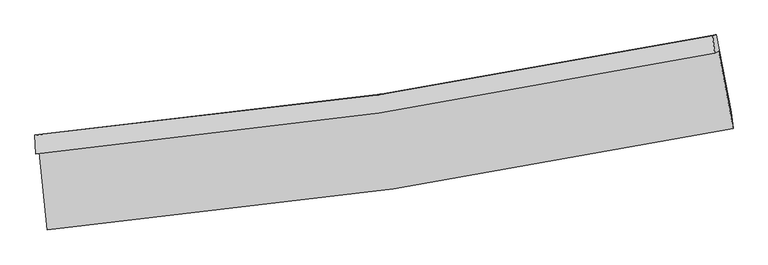
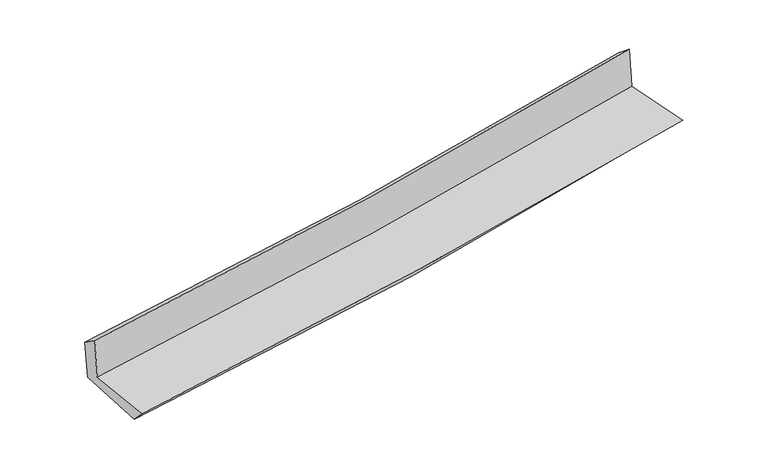
"""IFC4 building model written with IfcOpenShell, lengths in millimetres: proxy geometry."""

import ifcopenshell
import ifcopenshell.guid

model = None  # the IFC model being written
_history = None  # IfcOwnerHistory: only IFC2X3 demands one
_inside = {}  # id of a spatial element -> (the spatial element, [elements in it])
_under = {}  # id of a project, library or spatial element -> (it, [spatial elements below it])
_declared = {}  # id of a project -> (the project, [libraries it declares])
_typed = {}  # id of a type object -> (the type object, [elements of that type])
_made_of = {}  # id of a material, layer set ... -> (it, [elements and type objects made of it])


def new_model(schema):
    """Start an empty IFC model of exactly this schema.

    Asked for "IFC4X3", IfcOpenShell would pick the latest addendum, in which some entities
    have other attributes; the version numbers below select the first issue.
    IFC2X3 requires an IfcOwnerHistory on every rooted entity: one is made here for all.
    """
    global model, _history
    if schema == "IFC4X3":
        model = ifcopenshell.file(schema_version=(4, 3, 0, 0))
    else:
        model = ifcopenshell.file(schema=schema)
    _inside.clear()
    _under.clear()
    _declared.clear()
    _typed.clear()
    _made_of.clear()
    _history = None
    if model.schema == "IFC2X3":
        org = make("IfcOrganization", Name="unknown")
        user = make(
            "IfcPersonAndOrganization",
            ThePerson=make("IfcPerson", FamilyName="unknown"),
            TheOrganization=org,
        )
        app = make(
            "IfcApplication",
            ApplicationDeveloper=org,
            Version="unknown",
            ApplicationFullName="unknown",
            ApplicationIdentifier="unknown",
        )
        _history = make(
            "IfcOwnerHistory",
            OwningUser=user,
            OwningApplication=app,
            ChangeAction="ADDED",
            CreationDate=0,
        )
    return model


def make(cls, **values):
    """One entity of the class cls with the attributes given. An attribute that is None is left unset."""
    return model.create_entity(
        cls, **{name: value for name, value in values.items() if value is not None}
    )


def rooted(cls, **values):
    """An entity with a GlobalId (a new one), such as an element, a storey or a relation."""
    return make(cls, GlobalId=ifcopenshell.guid.new(), OwnerHistory=_history, **values)


def si_unit(unit_type, name, prefix=None):
    """IfcSIUnit, for example si_unit("LENGTHUNIT", "METRE", prefix="MILLI")."""
    return make("IfcSIUnit", UnitType=unit_type, Prefix=prefix, Name=name)


def assignment(units):
    """IfcUnitAssignment: the units of a project."""
    return None if units is None else make("IfcUnitAssignment", Units=units)


def point(xyz):
    """IfcCartesianPoint."""
    return None if xyz is None else make("IfcCartesianPoint", Coordinates=xyz)


def direction(xyz):
    """IfcDirection."""
    return None if xyz is None else make("IfcDirection", DirectionRatios=xyz)


def frame(location, z_axis=None, x_axis=None):
    """IfcAxis2Placement3D, a coordinate frame: its origin and axes. An axis left out is left unset."""
    return make(
        "IfcAxis2Placement3D",
        Location=point(location),
        Axis=direction(z_axis),
        RefDirection=direction(x_axis),
    )


def origin():
    """The frame at (0, 0, 0) with its axes left unset."""
    return frame((0.0, 0.0, 0.0))


def place(relative_to, where):
    """IfcLocalPlacement: puts the frame where relative to a parent placement (None: the world)."""
    return make(
        "IfcLocalPlacement", PlacementRelTo=relative_to, RelativePlacement=where
    )


def context(
    kind, dimensions, precision=None, world=None, true_north=None, identifier=None
):
    """IfcGeometricRepresentationContext, for example the 3D "Model" context."""
    return make(
        "IfcGeometricRepresentationContext",
        ContextIdentifier=identifier,
        ContextType=kind,
        CoordinateSpaceDimension=dimensions,
        Precision=precision,
        WorldCoordinateSystem=world,
        TrueNorth=true_north,
    )


def project(units=None, contexts=None):
    """IfcProject with its units and contexts."""
    return rooted(
        "IfcProject",
        Name="project",
        RepresentationContexts=contexts,
        UnitsInContext=assignment(units),
    )


def spatial(cls, under=None, at=None, **own):
    """A site, building, storey or space (cls), placed at a placement, below another one or the project."""
    s = rooted(cls, ObjectPlacement=at, **own)
    if under is not None:
        _under.setdefault(under.id(), (under, []))[1].append(s)
    return s


def shape(context_of_items, identifier, shape_type, items):
    """IfcShapeRepresentation: the items that make up one representation, for example the "Body"."""
    return make(
        "IfcShapeRepresentation",
        ContextOfItems=context_of_items,
        RepresentationIdentifier=identifier,
        RepresentationType=shape_type,
        Items=items,
    )


def source(mapping_origin, context_of_items, identifier, shape_type, items):
    """IfcRepresentationMap: a shape defined once, which mapped items show again and again."""
    return make(
        "IfcRepresentationMap",
        MappingOrigin=mapping_origin,
        MappedRepresentation=shape(context_of_items, identifier, shape_type, items),
    )


def transform(
    local_origin,
    x_axis=None,
    y_axis=None,
    z_axis=None,
    scale=None,
    scale2=None,
    scale3=None,
    uniform=True,
):
    """IfcCartesianTransformationOperator3D, or its non-uniform kind. x_axis, y_axis, z_axis: its Axis1, 2, 3."""
    if uniform:
        return make(
            "IfcCartesianTransformationOperator3D",
            Axis1=direction(x_axis),
            Axis2=direction(y_axis),
            LocalOrigin=point(local_origin),
            Scale=scale,
            Axis3=direction(z_axis),
        )
    return make(
        "IfcCartesianTransformationOperator3DnonUniform",
        Axis1=direction(x_axis),
        Axis2=direction(y_axis),
        LocalOrigin=point(local_origin),
        Scale=scale,
        Axis3=direction(z_axis),
        Scale2=scale2,
        Scale3=scale3,
    )


def mapped(mapping_source, mapping_target):
    """IfcMappedItem: shows the shape of a source again, moved by a transform."""
    return make(
        "IfcMappedItem", MappingSource=mapping_source, MappingTarget=mapping_target
    )


def made_of(thing, what):
    """Note that an element or type object is made of a material, layer set ...; save() writes the relation."""
    if what is not None:
        _made_of.setdefault(what.id(), (what, []))[1].append(thing)
    return thing


def element(
    cls,
    number,
    at=None,
    inside=None,
    cuts=None,
    type_object=None,
    material=None,
    context=None,
    identifier="Body",
    shape_type=None,
    held_by="IfcProductDefinitionShape",
    body=None,
    shapes=None,
    **own,
):
    """One element of the class cls, such as IfcWall. Its Tag is "e" and its number.

    at: its placement. inside: the storey or other place that contains it. cuts: it is an
    opening in that element (IfcRelVoidsElement). A single representation is given by context,
    identifier, shape_type and body (its items); several are given by shapes. held_by: the class
    of the entity that holds the representations. save() writes the other relations.
    """
    e = rooted(cls, Tag="e%d" % number, ObjectPlacement=at, **own)
    if body is not None:
        shapes = [shape(context, identifier, shape_type, body)]
    if shapes is not None:
        e.Representation = make(held_by, Representations=shapes)
    if inside is not None:
        _inside.setdefault(inside.id(), (inside, []))[1].append(e)
    if cuts is not None:
        rooted(
            "IfcRelVoidsElement", RelatingBuildingElement=cuts, RelatedOpeningElement=e
        )
    if type_object is not None:
        _typed.setdefault(type_object.id(), (type_object, []))[1].append(e)
    return made_of(e, material)


def aggregate(whole, parts):
    """IfcRelAggregates: a whole, such as a stair, and the parts it consists of."""
    return rooted("IfcRelAggregates", RelatingObject=whole, RelatedObjects=parts)


def save(model, path):
    """Write the relations noted so far, then the file.

    IfcRelAggregates (storeys below a building ...), IfcRelContainedInSpatialStructure (elements
    in a storey), IfcRelDefinesByType, IfcRelAssociatesMaterial and IfcRelDeclares: one each for
    every whole, place, type object, material and project.
    """
    for whole, parts in _under.values():
        aggregate(whole, parts)
    for where, things in _inside.values():
        rooted(
            "IfcRelContainedInSpatialStructure",
            RelatedElements=things,
            RelatingStructure=where,
        )
    for kind, things in _typed.values():
        rooted("IfcRelDefinesByType", RelatedObjects=things, RelatingType=kind)
    for what, things in _made_of.values():
        rooted("IfcRelAssociatesMaterial", RelatedObjects=things, RelatingMaterial=what)
    for by, libraries in _declared.values():
        rooted("IfcRelDeclares", RelatingContext=by, RelatedDefinitions=libraries)
    model.write(path)


def plane_surface(at):
    """IfcPlane: the flat surface through the origin of the frame at, square to its z axis."""
    return make("IfcPlane", Position=at)


def spline_curve(degree, points, multiplicities, knots, weights=None):
    """IfcBSplineCurveWithKnots; with weights, IfcRationalBSplineCurveWithKnots."""
    own = dict(
        Degree=degree,
        ControlPointsList=[point(p) for p in points],
        CurveForm="UNSPECIFIED",
        ClosedCurve=False,
        SelfIntersect=False,
        KnotMultiplicities=multiplicities,
        Knots=knots,
        KnotSpec="UNSPECIFIED",
    )
    if weights is None:
        return make("IfcBSplineCurveWithKnots", **own)
    return make("IfcRationalBSplineCurveWithKnots", WeightsData=weights, **own)


def spline_surface(u_degree, v_degree, points, u_multiplicities, v_multiplicities, u_knots, v_knots, weights=None):
    """IfcBSplineSurfaceWithKnots; with weights, IfcRationalBSplineSurfaceWithKnots. points: one row for each step in u."""
    own = dict(
        UDegree=u_degree,
        VDegree=v_degree,
        ControlPointsList=[[point(p) for p in row] for row in points],
        SurfaceForm="UNSPECIFIED",
        UClosed=False,
        VClosed=False,
        SelfIntersect=False,
        UMultiplicities=u_multiplicities,
        VMultiplicities=v_multiplicities,
        UKnots=u_knots,
        VKnots=v_knots,
        KnotSpec="UNSPECIFIED",
    )
    if weights is None:
        return make("IfcBSplineSurfaceWithKnots", **own)
    return make("IfcRationalBSplineSurfaceWithKnots", WeightsData=weights, **own)


def advanced_brep(points, edges, surfaces, faces):
    """IfcAdvancedBrep: a solid bounded by faces that lie on surfaces and meet in shared edges.

    An edge is (start, end): straight between two places in points (the first is 0);
    or (start, end, curve); or (start, end, curve, False) where it runs against its curve.
    A face is (place in surfaces, loops), or (place, loops, False) where it looks against
    its surface's normal. A loop lists edges by number (the first is 1), with a minus sign
    where the edge is run from its end to its start. The first loop is the outer one.
    """
    corners = [point(p) for p in points]
    vertices = [make("IfcVertexPoint", VertexGeometry=c) for c in corners]
    made = []
    for start, end, *more in edges:
        made.append(
            make(
                "IfcEdgeCurve",
                EdgeStart=vertices[start],
                EdgeEnd=vertices[end],
                EdgeGeometry=more[0] if more else make("IfcPolyline", Points=[corners[start], corners[end]]),
                SameSense=more[1] if len(more) > 1 else True,
            )
        )
    hull = []
    for where, loops, *sense in faces:
        bounds = []
        for j, loop in enumerate(loops):
            ring = [make("IfcOrientedEdge", EdgeElement=made[abs(k) - 1], Orientation=k > 0) for k in loop]
            bounds.append(
                make(
                    "IfcFaceOuterBound" if j == 0 else "IfcFaceBound",
                    Bound=make("IfcEdgeLoop", EdgeList=ring),
                    Orientation=True,
                )
            )
        hull.append(make("IfcAdvancedFace", Bounds=bounds, FaceSurface=surfaces[where], SameSense=sense[0] if sense else True))
    return make("IfcAdvancedBrep", Outer=make("IfcClosedShell", CfsFaces=hull))


def generic_models_ed2e3e38(model_context):
    return source(origin(), model_context, "Body", "AdvancedBrep", [
        advanced_brep(
        [(-2931.6045696, -1903.3923788, 1636.9260639), (-2866.9398695, -2567.5315872, 1632.92659), (2991.2908856, -1700.5639763, 2131.7366651), (2867.2806566, -1039.1285421, 2130.6339423), (-2964.7374837, -1919.8222393, 2038.9499657), (2834.0224651, -1055.6814977, 2542.2219836), (-2970.6296054, -1757.2046149, 1924.8317649), (2816.6614251, -905.7625167, 2420.3346373), (-2938.5574701, -1750.8065804, 1546.3374074), (2849.5163688, -899.123119, 2034.3645803), (-2868.2061909, -2424.9273407, 1487.6924337), (2976.5131345, -1560.21484, 2000.9341365)],
        [
            (0, 1),
            (1, 2, spline_curve(3, [(-2866.9398695, -2567.5315872, 1632.92659), (-1877.190196632, -2480.963696894, 1730.969568092), (-891.193940947, -2364.816519082, 1821.766798261), (1061.45976211, -2075.118991094, 1987.86331175), (2028.207091728, -1902.276965007, 2063.336106837), (2991.2908856, -1700.5639763, 2131.7366651)], [4, 2, 4], [0.0, 9.76440918869338, 19.41119753886541])),
            (2, 3),
            (3, 0, spline_curve(3, [(2867.2806566, -1039.1285421, 2130.6339423), (1913.856620221, -1238.593850344, 2063.093067227), (956.854144798, -1410.08263392, 1988.472764035), (-976.019803549, -1698.856960177, 1824.077159318), (-1951.979070044, -1815.456122091, 1734.128169154), (-2931.6045696, -1903.3923788, 1636.9260639)], [4, 2, 4], [0.0, 9.646788350172029, 19.41119753886541])),
            (4, 0),
            (3, 5),
            (5, 4, spline_curve(3, [(2834.0224651, -1055.6814977, 2542.2219836), (1880.908097795, -1255.047498882, 2469.658900298), (924.07170899, -1426.476193885, 2391.724895461), (-1008.75695756, -1715.208526152, 2224.099326945), (-1984.84055134, -1831.826744658, 2134.275992462), (-2964.7374837, -1919.8222393, 2038.9499657)], [4, 2, 4], [0.0, 9.59877430106969, 19.3145840175633])),
            (6, 4),
            (5, 7),
            (7, 6, spline_curve(3, [(2816.6614251, -905.7625167, 2420.3346373), (1865.659720779, -1102.429876441, 2343.779810143), (910.830259778, -1271.455639919, 2264.477446262), (-1018.172839782, -1555.947835698, 2099.37723075), (-1992.440388874, -1670.736105076, 2013.511970594), (-2970.6296054, -1757.2046149, 1924.8317649)], [4, 2, 4], [0.0, 9.587873770991582, 19.292650050014323])),
            (8, 6),
            (7, 9),
            (9, 8, spline_curve(3, [(2849.5163688, -899.123119, 2034.3645803), (1898.590138584, -1095.822356207, 1956.696165369), (943.734197485, -1264.884025718, 1877.449081441), (-985.527336455, -1549.456577209, 1714.812088299), (-1960.029341607, -1664.289394918, 1631.383447818), (-2938.5574701, -1750.8065804, 1546.3374074)], [4, 2, 4], [0.0, 9.57664952017007, 19.270064693933794])),
            (10, 8),
            (9, 11),
            (11, 10, spline_curve(3, [(2976.5131345, -1560.21484, 2000.9341365), (2017.136137753, -1761.0036255, 1912.409371242), (1053.365785634, -1933.195094132, 1825.625397047), (-894.766202042, -2222.134205268, 1654.502120433), (-1879.235625392, -2338.180236974, 1570.205527066), (-2868.2061909, -2424.9273407, 1487.6924337)], [4, 2, 4], [0.0, 9.625713945192192, 19.368791774042094])),
            (1, 10),
            (11, 2),
        ],
        [
            spline_surface(3, 3, [[(-2931.6045696, -1903.3923788, 1636.9260639), (-1951.979070014, -1815.456121989, 1734.128169265), (-976.019803417, -1698.85696003, 1824.077159161), (956.854144668, -1410.082634065, 1988.47276419), (1913.856620145, -1238.593850477, 2063.093067089), (2867.2806566, -1039.1285421, 2130.6339423)], [(-2910.049669557, -2124.772114914, 1635.592905946), (-1927.049445533, -2037.291980319, 1733.075302206), (-947.744515944, -1920.843479767, 1823.307038815), (991.722683867, -1631.761419689, 1988.26961339), (1951.973444004, -1459.821555342, 2063.174080314), (2908.617399594, -1259.607020158, 2131.001516558)], [(-2888.494769543, -2346.151851086, 1634.259747954), (-1902.119821079, -2259.127838708, 1732.022435109), (-919.469228524, -2142.829999505, 1822.536918518), (1026.591223013, -1853.440205313, 1988.066462639), (1990.090267881, -1681.049260232, 2063.255093564), (2949.954142606, -1480.085498242, 2131.369090842)], [(-2866.9398695, -2567.5315872, 1632.92659), (-1877.190196598, -2480.963697038, 1730.96956805), (-891.193941051, -2364.816519241, 1821.766798172), (1061.459762213, -2075.118990937, 1987.863311839), (2028.207091739, -1902.276965097, 2063.336106788), (2991.2908856, -1700.5639763, 2131.7366651)]], [4, 4], [4, 2, 4], [0.0, 2.205362388047356], [0.0, 9.76440918869338, 19.41119753886541]),
            spline_surface(3, 3, [[(-2964.7374837, -1919.8222393, 2038.9499657), (-1984.840551347, -1831.826744819, 2134.275992569), (-1008.75695743, -1715.208526053, 2224.099327074), (924.071708862, -1426.476193983, 2391.724895333), (1880.908097843, -1255.047498907, 2469.658900176), (2834.0224651, -1055.6814977, 2542.2219836)], [(-2953.693178994, -1914.345619142, 1904.941998414), (-1973.88672423, -1826.369870551, 2000.893384781), (-997.84457276, -1709.758004035, 2090.758604455), (934.999187463, -1421.011674, 2257.307518304), (1891.890938595, -1249.562949442, 2334.136955821), (2845.108528918, -1050.163845845, 2405.02596984)], [(-2942.648874306, -1908.868998958, 1770.934031186), (-1962.932897131, -1820.912996257, 1867.510777053), (-986.932188088, -1704.307482049, 1957.41788178), (945.926666067, -1415.547154049, 2122.89014122), (1902.873779394, -1244.078399941, 2198.615011445), (2856.194592782, -1044.646193955, 2267.82995606)], [(-2931.6045696, -1903.3923788, 1636.9260639), (-1951.979070014, -1815.456121989, 1734.128169265), (-976.019803417, -1698.85696003, 1824.077159161), (956.854144668, -1410.082634065, 1988.47276419), (1913.856620145, -1238.593850477, 2063.093067089), (2867.2806566, -1039.1285421, 2130.6339423)]], [4, 4], [4, 2, 4], [0.0, 1.3231105899472215], [0.0, 9.715809716493608, 19.3145840175633]),
            spline_surface(3, 3, [[(-2970.6296054, -1757.2046149, 1924.8317649), (-1992.440388806, -1670.736104959, 2013.511970503), (-1018.172839699, -1555.947835783, 2099.377230686), (910.830259695, -1271.455639835, 2264.477446325), (1865.659720749, -1102.429876314, 2343.779810269), (2816.6614251, -905.7625167, 2420.3346373)], [(-2968.665564836, -1811.410489685, 1962.871165167), (-1989.907109656, -1724.432984897, 2053.766644526), (-1015.034212284, -1609.034732552, 2140.951262822), (915.244076076, -1323.129157897, 2306.893262667), (1870.742513126, -1153.302417169, 2385.739506878), (2822.448438446, -955.735510357, 2460.963752707)], [(-2966.701524264, -1865.616364515, 2000.910565433), (-1987.373830497, -1778.129864881, 2094.021318547), (-1011.895584845, -1662.121629284, 2182.525294938), (919.657892481, -1374.802675922, 2349.309078991), (1875.825305466, -1204.174958053, 2427.699203567), (2828.235451754, -1005.708504043, 2501.592868193)], [(-2964.7374837, -1919.8222393, 2038.9499657), (-1984.840551347, -1831.826744819, 2134.275992569), (-1008.75695743, -1715.208526053, 2224.099327074), (924.071708862, -1426.476193983, 2391.724895333), (1880.908097843, -1255.047498907, 2469.658900176), (2834.0224651, -1055.6814977, 2542.2219836)]], [4, 4], [4, 2, 4], [0.0, 0.6618624973396053], [0.0, 9.704776279022742, 19.292650050014323]),
            spline_surface(3, 3, [[(-2938.5574701, -1750.8065804, 1546.3374074), (-1960.029341756, -1664.289394904, 1631.383447916), (-985.527336569, -1549.456577209, 1714.812088374), (943.734197597, -1264.884025718, 1877.449081368), (1898.590138701, -1095.822356265, 1956.696165215), (2849.5163688, -899.123119, 2034.3645803)], [(-2949.24818186, -1752.939258589, 1672.502193255), (-1970.833024099, -1666.438298278, 1758.759622133), (-996.409170932, -1551.620330047, 1843.000469137), (932.766218309, -1267.074563737, 2006.458536346), (1887.613332721, -1098.024862945, 2085.724046927), (2838.564720904, -901.336251564, 2163.021265994)], [(-2959.93889364, -1755.071936711, 1798.666979045), (-1981.636706463, -1668.587201585, 1886.135796286), (-1007.291005335, -1553.784082945, 1971.188849923), (921.798238982, -1269.265101816, 2135.467991347), (1876.636526729, -1100.227369634, 2214.751928557), (2827.613072996, -903.549384136, 2291.677951606)], [(-2970.6296054, -1757.2046149, 1924.8317649), (-1992.440388806, -1670.736104959, 2013.511970503), (-1018.172839699, -1555.947835783, 2099.377230686), (910.830259695, -1271.455639835, 2264.477446325), (1865.659720749, -1102.429876314, 2343.779810269), (2816.6614251, -905.7625167, 2420.3346373)]], [4, 4], [4, 2, 4], [0.0, 1.27042767543986], [0.0, 9.693415173763723, 19.270064693933794]),
            spline_surface(3, 3, [[(-2868.2061909, -2424.9273407, 1487.6924337), (-1879.235625406, -2338.180236844, 1570.205527146), (-894.766202137, -2222.134205322, 1654.502120521), (1053.365785727, -1933.195094079, 1825.62539696), (2017.136137626, -1761.003625403, 1912.40937118), (2976.5131345, -1560.21484, 2000.9341365)], [(-2891.656617322, -2200.220420588, 1507.240758245), (-1906.166864211, -2113.549956185, 1590.598167381), (-925.019913628, -1997.908329275, 1674.605443142), (1016.821923003, -1710.42473795, 1842.899958433), (1977.620804651, -1539.276535704, 1927.171635831), (2934.180879267, -1339.850933013, 2012.07761774)], [(-2915.107043678, -1975.513500512, 1526.789082855), (-1933.098102951, -1888.919675562, 1610.990807681), (-955.273625078, -1773.682453255, 1694.708765753), (980.278060321, -1487.654381847, 1860.174519896), (1938.105471676, -1317.549445965, 1941.933900564), (2891.848624033, -1119.487025987, 2023.22109906)], [(-2938.5574701, -1750.8065804, 1546.3374074), (-1960.029341756, -1664.289394904, 1631.383447916), (-985.527336569, -1549.456577209, 1714.812088374), (943.734197597, -1264.884025718, 1877.449081368), (1898.590138701, -1095.822356265, 1956.696165215), (2849.5163688, -899.123119, 2034.3645803)]], [4, 4], [4, 2, 4], [0.0, 2.2318481595383566], [0.0, 9.743077828849902, 19.368791774042094]),
            spline_surface(3, 3, [[(-2866.9398695, -2567.5315872, 1632.92659), (-1877.190196598, -2480.963697038, 1730.96956805), (-891.193941051, -2364.816519241, 1821.766798172), (1061.459762213, -2075.118990937, 1987.863311839), (2028.207091739, -1902.276965097, 2063.336106788), (2991.2908856, -1700.5639763, 2131.7366651)], [(-2867.361976631, -2519.996838382, 1584.515204573), (-1877.872006198, -2433.369210321, 1677.381554422), (-892.384694755, -2317.255747962, 1766.011905618), (1058.761770042, -2027.811025345, 1933.784006875), (2024.516773706, -1855.185851862, 2013.027194947), (2986.364968572, -1653.780930863, 2088.135822261)], [(-2867.784083769, -2472.462089518, 1536.103819127), (-1878.553815806, -2385.77472356, 1623.793540775), (-893.575448433, -2269.6949766, 1710.257013075), (1056.063777898, -1980.503059671, 1879.704701923), (2020.826455658, -1808.094738639, 1962.718283022), (2981.439051528, -1606.997885437, 2044.534979339)], [(-2868.2061909, -2424.9273407, 1487.6924337), (-1879.235625406, -2338.180236844, 1570.205527146), (-894.766202137, -2222.134205322, 1654.502120521), (1053.365785727, -1933.195094079, 1825.62539696), (2017.136137626, -1761.003625403, 1912.40937118), (2976.5131345, -1560.21484, 2000.9341365)]], [4, 4], [4, 2, 4], [0.0, 0.7145747886161694], [0.0, 9.802951410251504, 19.487817707253864]),
            plane_surface(frame((2889.214156, -1193.4124153, 2210.0376575), z_axis=(0.9791636587950308, 0.1837242148900348, 0.08650978070813248), x_axis=(-0.08480384997405986, -0.017137344416921774, 0.9962502790242586))),
            plane_surface(frame((-2923.4458649, -2053.9474569, 1711.2773709), z_axis=(-0.9916851269359094, -0.09604077826714526, -0.08565499357276596), x_axis=(-0.09690617463426741, 0.9952754745267123, 0.005993590191247687))),
        ],
        [
            (0, [[1, 2, 3, 4]]),
            (1, [[5, -4, 6, 7]]),
            (2, [[8, -7, 9, 10]]),
            (3, [[11, -10, 12, 13]]),
            (4, [[14, -13, 15, 16]]),
            (5, [[17, -16, 18, -2]]),
            (6, [[-12, -9, -6, -3, -18, -15]]),
            (7, [[-1, -5, -8, -11, -14, -17]]),
        ],
    ),
    ])


if __name__ == "__main__":
    model = new_model("IFC4")
    model_context = context("Model", 3, world=origin())
    ifc_project = project(units=[si_unit("LENGTHUNIT", "METRE", prefix="MILLI")], contexts=[model_context])
    site = spatial("IfcSite", under=ifc_project)
    building = spatial("IfcBuilding", under=site)
    placement = place(None, origin())
    generic_models_shape = generic_models_ed2e3e38(model_context)
    element("IfcBuildingElementProxy", 1, Name="Generic Models", at=placement, inside=building, context=model_context, shape_type="MappedRepresentation", body=[
        mapped(generic_models_shape, transform((0.0, 0.0, 0.0), x_axis=(1.0, 0.0, 0.0), y_axis=(0.0, 1.0, 0.0), z_axis=(0.0, 0.0, 1.0))),
    ])
    save(model, "model.ifc")
